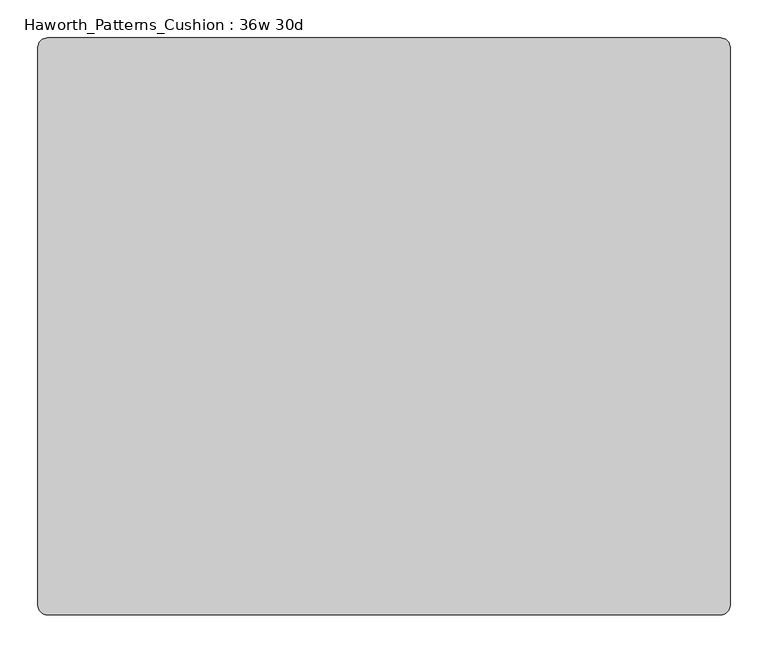
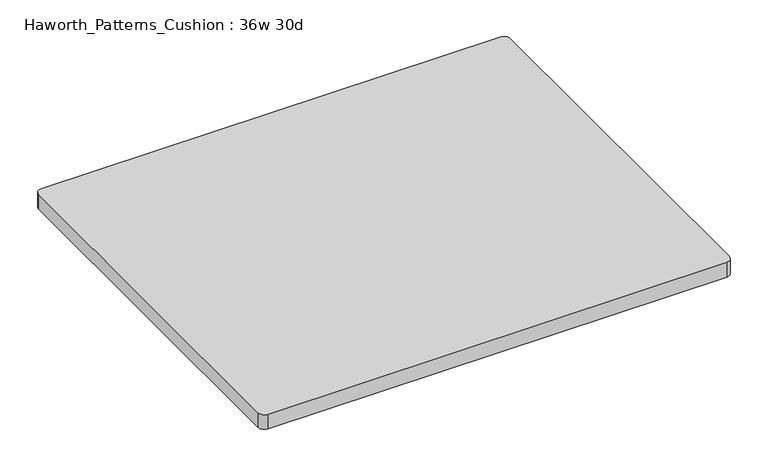
"""IFC4 building model written with IfcOpenShell, lengths in millimetres: furniture geometry, Haworth_Patterns_Cushion : 36w 30d."""

from ifc_helpers import new_model, si_unit, point, frame, frame_2d, origin, place, context, project, spatial, polyline, circle_curve, trimmed, segment, composite_curve, outline, extrude, source, transform, mapped, element, save


def haworth_patterns_cushion_36w_30d_445f3b66(model_context):
    return source(origin(), model_context, "Body", "SweptSolid", [
        extrude(outline(composite_curve([segment(trimmed(circle_curve(frame_2d((444.5, 368.3)), 12.7), [point((444.5, 381.0))], [point((457.2, 368.3))], False, "CARTESIAN"), True, "CONTINUOUS"), segment(polyline([(457.2, 368.3), (457.2, -368.3)]), True, "CONTINUOUS"), segment(trimmed(circle_curve(frame_2d((444.5, -368.3)), 12.7), [point((457.2, -368.3))], [point((444.5, -381.0))], False, "CARTESIAN"), True, "CONTINUOUS"), segment(polyline([(444.5, -381.0), (-444.5, -381.0)]), True, "CONTINUOUS"), segment(trimmed(circle_curve(frame_2d((-444.5, -368.3)), 12.7), [point((-444.5, -381.0))], [point((-457.2, -368.3))], False, "CARTESIAN"), True, "CONTINUOUS"), segment(polyline([(-457.2, -368.3), (-457.2, 368.3)]), True, "CONTINUOUS"), segment(trimmed(circle_curve(frame_2d((-444.5, 368.3)), 12.7), [point((-457.2, 368.3))], [point((-444.5, 381.0))], False, "CARTESIAN"), True, "CONTINUOUS"), segment(polyline([(-444.5, 381.0), (444.5, 381.0)]), True, "CONTINUOUS")], self_intersect=False)), frame((0.0, 0.0, 609.6), z_axis=(0.0, 0.0, 1.0), x_axis=(1.0, 0.0, 0.0)), (0.0, 0.0, 1.0), 30.1625),
    ])


if __name__ == "__main__":
    model = new_model("IFC4")
    model_context = context("Model", 3, world=origin())
    ifc_project = project(units=[si_unit("LENGTHUNIT", "METRE", prefix="MILLI")], contexts=[model_context])
    site = spatial("IfcSite", under=ifc_project)
    building = spatial("IfcBuilding", under=site)
    placement = place(None, origin())
    haworth_patterns_cushion_36w_30d_shape = haworth_patterns_cushion_36w_30d_445f3b66(model_context)
    element("IfcFurniture", 1, ObjectType="Haworth_Patterns_Cushion : 36w 30d", at=placement, inside=building, context=model_context, shape_type="MappedRepresentation", body=[
        mapped(haworth_patterns_cushion_36w_30d_shape, transform((0.0, 0.0, 0.0), x_axis=(1.0, 0.0, 0.0), y_axis=(0.0, 1.0, 0.0), z_axis=(0.0, 0.0, 1.0))),
    ])
    save(model, "model.ifc")
